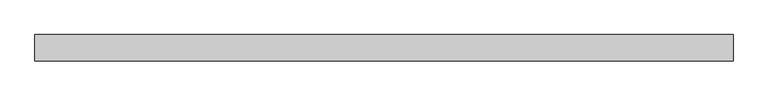
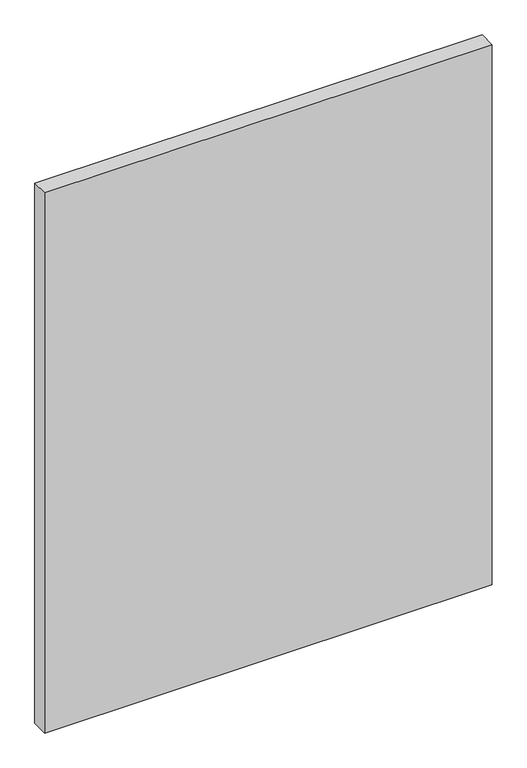
"""IFC4 building model written with IfcOpenShell, lengths in millimetres: plate geometry."""

from ifc_helpers import new_model, si_unit, origin, origin_with_axes, place, context, project, spatial, polyline, outline, extrude, source, transform, mapped, element, save


def plate_0effcafc(model_context):
    return source(origin(), model_context, "Body", "SweptSolid", [
        extrude(outline(polyline([(690.3845703, -26.19375), (-690.3845703, -26.19375), (-690.3845703, 26.19375), (690.3845703, 26.19375), (690.3845703, -26.19375)])), origin_with_axes(), (0.0, 0.0, 1.0), 1761.3),
    ])


if __name__ == "__main__":
    model = new_model("IFC4")
    model_context = context("Model", 3, world=origin())
    ifc_project = project(units=[si_unit("LENGTHUNIT", "METRE", prefix="MILLI")], contexts=[model_context])
    site = spatial("IfcSite", under=ifc_project)
    building = spatial("IfcBuilding", under=site)
    placement = place(None, origin())
    plate_shape = plate_0effcafc(model_context)
    element("IfcPlate", 1, at=placement, inside=building, context=model_context, shape_type="MappedRepresentation", body=[
        mapped(plate_shape, transform((0.0, 0.0, 0.0), x_axis=(1.0, 0.0, 0.0), y_axis=(0.0, 1.0, 0.0), z_axis=(0.0, 0.0, 1.0))),
    ])
    save(model, "model.ifc")
